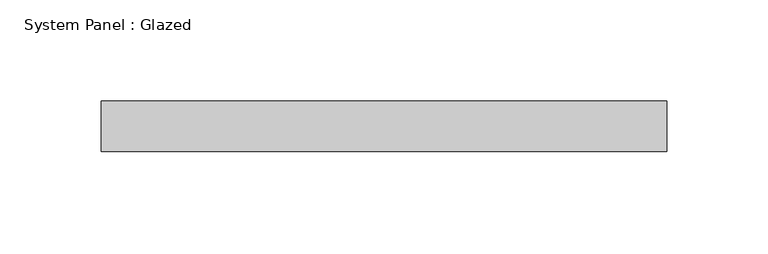
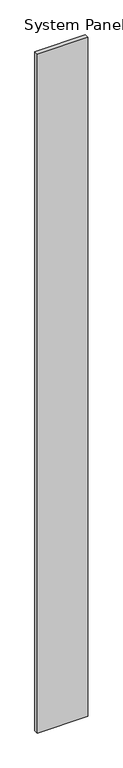
"""IFC4 building model written with IfcOpenShell, lengths in millimetres: plate geometry, System Panel : Glazed."""

from ifc_helpers import new_model, si_unit, origin, origin_with_axes, place, context, project, spatial, polyline, outline, extrude, source, transform, mapped, element, save


def system_panel_glazed_3c9152fe(model_context):
    return source(origin(), model_context, "Body", "SweptSolid", [
        extrude(outline(polyline([(139.9999998, 24.5), (-139.9999998, 24.5), (-139.9999998, 49.5), (139.9999998, 49.5), (139.9999998, 24.5)])), origin_with_axes(), (0.0, 0.0, 1.0), 4000.0),
    ])


if __name__ == "__main__":
    model = new_model("IFC4")
    model_context = context("Model", 3, world=origin())
    ifc_project = project(units=[si_unit("LENGTHUNIT", "METRE", prefix="MILLI")], contexts=[model_context])
    site = spatial("IfcSite", under=ifc_project)
    building = spatial("IfcBuilding", under=site)
    placement = place(None, origin())
    system_panel_glazed_shape = system_panel_glazed_3c9152fe(model_context)
    element("IfcPlate", 1, ObjectType="System Panel : Glazed", at=placement, inside=building, context=model_context, shape_type="MappedRepresentation", body=[
        mapped(system_panel_glazed_shape, transform((0.0, 0.0, 0.0), x_axis=(1.0, 0.0, 0.0), y_axis=(0.0, 1.0, 0.0), z_axis=(0.0, 0.0, 1.0))),
    ])
    save(model, "model.ifc")
